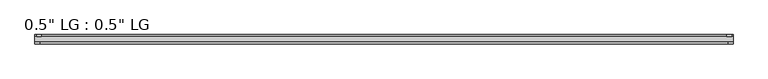
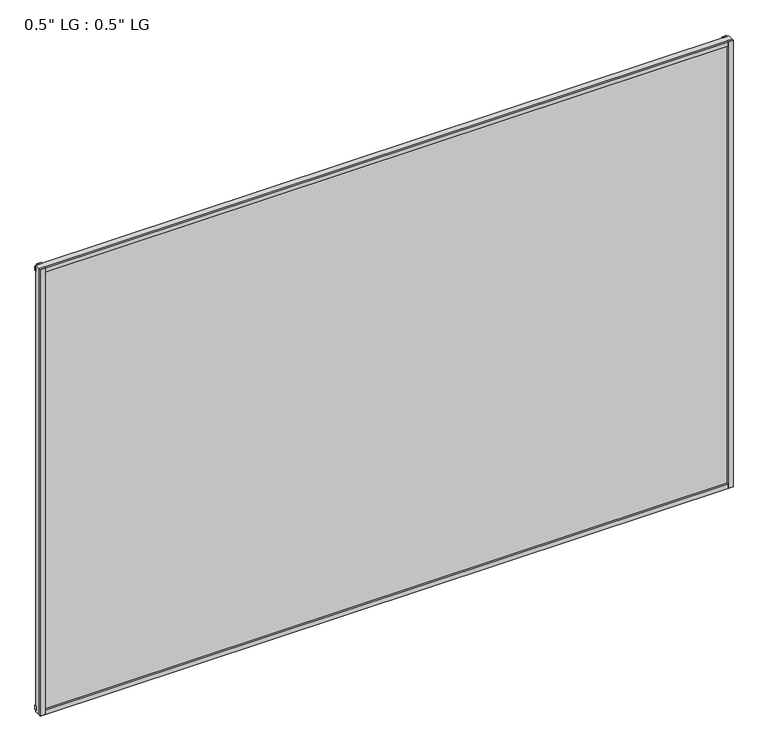
"""IFC4 building model written with IfcOpenShell, lengths in millimetres: plate geometry."""

from ifc_helpers import new_model, si_unit, frame, origin, origin_with_axes, place, context, project, spatial, polyline, outline, extrude, source, transform, mapped, element, save


def plate_f7295134(model_context):
    return source(origin(), model_context, "Body", "SweptSolid", [
        extrude(outline(polyline([(867.5191406, -33.3271813), (867.5191406, -38.0007813), (855.381461, -38.0007813), (855.381461, -33.3271813), (867.5191406, -33.3271813)])), origin_with_axes(), (0.0, 0.0, 1.0), 1181.7821763),
        extrude(outline(polyline([(863.9877869, -15.5217813), (863.9877869, -19.7127813), (851.9753631, -19.7127813), (851.9753631, -15.5217813), (863.9877869, -15.5217813)])), origin_with_axes(), (0.0, 0.0, 1.0), 1181.7821763),
        extrude(outline(polyline([(-855.2285626, -38.0007812), (-867.5191406, -38.0007812), (-867.5191406, -33.3271813), (-855.2285626, -33.3271813), (-855.2285626, -38.0007812)])), origin_with_axes(), (0.0, 0.0, 1.0), 1181.7821763),
        extrude(outline(polyline([(-851.2693247, -19.7127813), (-863.5599027, -19.7127813), (-863.5599027, -15.5217812), (-851.2693247, -15.5217812), (-851.2693247, -19.7127813)])), origin_with_axes(), (0.0, 0.0, 1.0), 1181.7821763),
        extrude(outline(polyline([(867.5191406, -33.3271813), (867.5191406, -38.0007813), (-867.5191406, -38.0007812), (-867.5191406, -33.3271812), (867.5191406, -33.3271813)])), origin_with_axes(), (0.0, 0.0, 1.0), 11.1693096),
        extrude(outline(polyline([(867.5191406, -15.3590708), (867.5191406, -20.1364307), (-867.5191406, -20.1364307), (-867.5191406, -15.3590708), (867.5191406, -15.3590708)])), frame((0.0, 0.0, 3.848913), z_axis=(0.0, 0.0, 1.0), x_axis=(1.0, 0.0, 0.0)), (0.0, 0.0, 1.0), 11.1693096),
        extrude(outline(polyline([(867.5191406, -33.3271813), (867.5191406, -38.0007813), (-867.5191406, -38.0007812), (-867.5191406, -33.3271812), (867.5191406, -33.3271813)])), frame((0.0, 0.0, 1170.6010704), z_axis=(0.0, 0.0, 1.0), x_axis=(1.0, 0.0, 0.0)), (0.0, 0.0, 1.0), 11.1811058),
        extrude(outline(polyline([(867.5191406, -15.5217813), (867.5191406, -19.7127813), (-867.5191406, -19.7127812), (-867.5191406, -15.5217813), (867.5191406, -15.5217813)])), frame((0.0, 0.0, 1166.0419237), z_axis=(0.0, 0.0, 1.0), x_axis=(1.0, 0.0, 0.0)), (0.0, 0.0, 1.0), 11.1811058),
        extrude(outline(polyline([(867.5191406, -33.3271812), (-867.5191406, -33.3271812), (-867.5191406, -19.7127812), (867.5191406, -19.7127812), (867.5191406, -33.3271812)])), origin_with_axes(), (0.0, 0.0, 1.0), 1181.7821763),
    ])


if __name__ == "__main__":
    model = new_model("IFC4")
    model_context = context("Model", 3, world=origin())
    ifc_project = project(units=[si_unit("LENGTHUNIT", "METRE", prefix="MILLI")], contexts=[model_context])
    site = spatial("IfcSite", under=ifc_project)
    building = spatial("IfcBuilding", under=site)
    placement = place(None, origin())
    plate_shape = plate_f7295134(model_context)
    element("IfcPlate", 1, ObjectType="0.5\" LG : 0.5\" LG", at=placement, inside=building, context=model_context, shape_type="MappedRepresentation", body=[
        mapped(plate_shape, transform((0.0, 0.0, 0.0), x_axis=(1.0, 0.0, 0.0), y_axis=(0.0, 1.0, 0.0), z_axis=(0.0, 0.0, 1.0))),
    ])
    save(model, "model.ifc")
